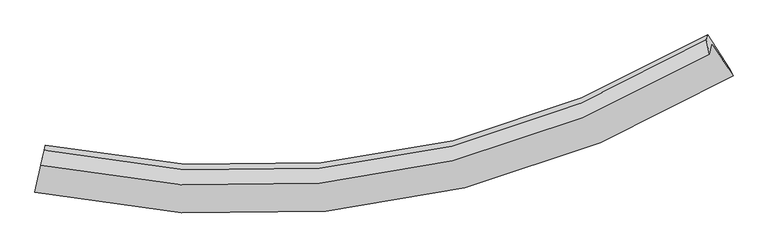
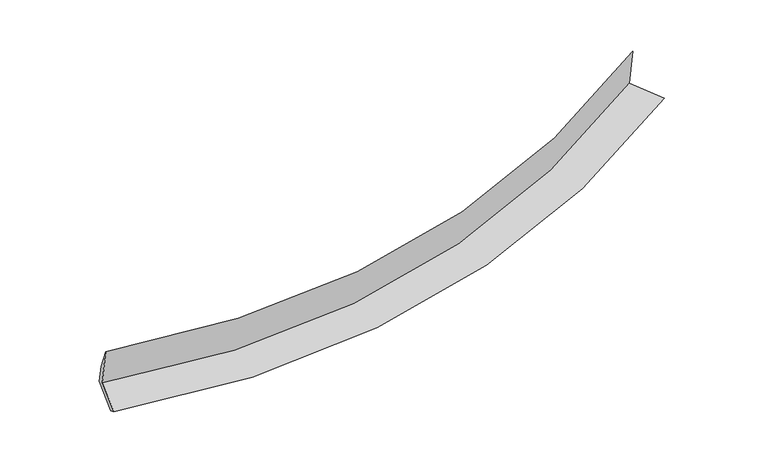
"""IFC4 building model written with IfcOpenShell, lengths in millimetres: proxy geometry."""

from ifc_helpers import new_model, si_unit, frame, origin, place, context, project, spatial, source, transform, mapped, element, save
from ifc_brep_helpers import plane_surface, spline_curve, spline_surface, advanced_brep


def generic_models_0b2beb2a(model_context):
    return source(origin(), model_context, "Body", "AdvancedBrep", [
        advanced_brep(
        [(-5386.1421217, -2003.8708952, 1444.3000769), (-5528.3384769, -2644.2640996, 1284.8062255), (6337.5736105, -671.932814, 2401.5487581), (5977.6993279, -113.8619655, 2501.3652879), (-5427.2713736, -2187.2697348, 2217.3442994), (5936.1456231, -299.1534767, 3282.3873076), (-5371.5707043, -1937.6039638, 1748.5930201), (5885.0532364, -60.5540454, 2805.4950299), (-5351.6640494, -1848.838493, 1374.4377937), (5904.4340386, 25.8666032, 2441.2234605), (-5491.5979801, -2479.0965119, 1193.3865536), (6272.6498848, -540.9976358, 2326.3299023)],
        [
            (0, 1),
            (1, 2, spline_curve(3, [(-5528.3384769, -2644.2640996, 1284.8062255), (-3845.358176906, -3003.345617621, 1295.980583493), (-2199.11520245, -3111.458876632, 1362.940288075), (1800.462604587, -2756.46808345, 1667.958405858), (4109.523659724, -1990.911062335, 1973.246212222), (6337.5736105, -671.932814, 2401.5487581)], [4, 2, 4], [0.0, 15.916684168174982, 39.552527698283704])),
            (2, 3),
            (3, 0, spline_curve(3, [(5977.6993279, -113.8619655, 2501.3652879), (3844.373853017, -1374.396470191, 2078.866934665), (1633.195391052, -2106.635432604, 1783.018498396), (-2197.299579011, -2447.917003266, 1499.879500742), (-3774.068266948, -2345.681017089, 1443.37286585), (-5386.1421217, -2003.8708952, 1444.3000769)], [4, 2, 4], [0.0, 23.635843530108723, 39.552527698283704])),
            (4, 0),
            (3, 5),
            (5, 4, spline_curve(3, [(5936.1456231, -299.1534767, 3282.3873076), (3802.586905933, -1560.728028212, 2864.272854406), (1591.365107654, -2293.160232024, 2569.238951317), (-2238.88459211, -2633.348120831, 2281.489974097), (-3815.468459319, -2530.288002686, 2221.509541361), (-5427.2713736, -2187.2697348, 2217.3442994)], [4, 2, 4], [0.0, 23.124356005943778, 38.69659782884242])),
            (6, 4),
            (5, 7),
            (7, 6, spline_curve(3, [(5885.0532364, -60.5540454, 2805.4950299), (3772.375138458, -1310.823353452, 2393.684710369), (1582.268142659, -2037.388839553, 2102.156768532), (-2212.255887192, -2376.86018274, 1815.592214095), (-3774.356871311, -2275.978003426, 1754.819486504), (-5371.5707043, -1937.6039638, 1748.5930201)], [4, 2, 4], [0.0, 23.016319299621156, 38.515807800603596])),
            (8, 6),
            (7, 9),
            (9, 8, spline_curve(3, [(5904.4340386, 25.8666032, 2441.2234605), (3792.987257173, -1218.912159932, 2006.269950936), (1603.438360988, -1942.989031659, 1704.252256425), (-2191.278307865, -2283.319368685, 1421.308443439), (-3753.762107698, -2184.144195234, 1367.730915504), (-5351.6640494, -1848.838493, 1374.4377937)], [4, 2, 4], [0.0, 22.908371010437488, 38.33516573075403])),
            (10, 8),
            (9, 11),
            (11, 10, spline_curve(3, [(6272.6498848, -540.9976358, 2326.3299023), (4062.385933838, -1838.009038216, 1880.850567346), (1772.583840801, -2590.651351522, 1566.72204173), (-2192.300896911, -2939.178470088, 1260.859439473), (-3823.914758684, -2832.569115885, 1197.340181087), (-5491.5979801, -2479.0965119, 1193.3865536)], [4, 2, 4], [0.0, 23.422354400026794, 39.19527221382886])),
            (1, 10),
            (11, 2),
        ],
        [
            spline_surface(3, 3, [[(-5386.1421217, -2003.8708952, 1444.3000769), (-3774.068267178, -2345.681017302, 1443.372865814), (-2197.299578984, -2447.917003358, 1499.879500536), (1633.195391012, -2106.635432467, 1783.018498703), (3844.373852693, -1374.396469801, 2078.866934322), (5977.6993279, -113.8619655, 2501.3652879)], [(-5433.540906771, -2217.335296674, 1391.135459773), (-3797.8315705, -2564.902550789, 1394.242105004), (-2197.904786888, -2669.097627825, 1454.233096382), (1688.951128946, -2323.246316016, 1744.665134446), (3932.757121628, -1579.901333929, 2043.660026919), (6097.657422083, -299.885581652, 2468.093111305)], [(-5480.939691829, -2430.799698126, 1337.970842627), (-3821.594873808, -2784.124084255, 1345.111344174), (-2198.509994736, -2890.278252351, 1408.586692198), (1744.706866935, -2539.857199624, 1706.311770159), (4021.140390612, -1785.406198101, 2008.4531195), (6217.615516317, -485.909197848, 2434.820934695)], [(-5528.3384769, -2644.2640996, 1284.8062255), (-3845.35817713, -3003.345617742, 1295.980583364), (-2199.11520264, -3111.458876818, 1362.940288045), (1800.462604869, -2756.468083173, 1667.958405902), (4109.523659546, -1990.911062229, 1973.246212097), (6337.5736105, -671.932814, 2401.5487581)]], [4, 4], [4, 2, 4], [0.0, 2.2089802735126534], [0.0, 15.916684168174982, 39.552527698283704]),
            spline_surface(3, 3, [[(-5427.2713736, -2187.2697348, 2217.3442994), (-3815.468459323, -2530.288002543, 2221.509541515), (-2238.88459198, -2633.34812074, 2281.489974138), (1591.365107461, -2293.160232159, 2569.238951256), (3802.586905667, -1560.728027967, 2864.272854707), (5936.1456231, -299.1534767, 3282.3873076)], [(-5413.561622948, -2126.136788245, 1959.662891885), (-3801.668395256, -2468.752340774, 1962.130649599), (-2225.022920956, -2571.537748295, 2020.953149589), (1605.308535337, -2230.985298944, 2307.165467058), (3816.515888014, -1498.617508598, 2602.47088123), (5949.996858038, -237.389639653, 3022.046634352)], [(-5399.851872352, -2065.003841755, 1701.981484415), (-3787.868331245, -2407.216679071, 1702.751757729), (-2211.161250009, -2509.727375803, 1760.416325084), (1619.251963136, -2168.810365682, 2045.091982902), (3830.444870346, -1436.50698917, 2340.668907799), (5963.848092962, -175.625802547, 2761.705961148)], [(-5386.1421217, -2003.8708952, 1444.3000769), (-3774.068267178, -2345.681017302, 1443.372865814), (-2197.299578984, -2447.917003358, 1499.879500536), (1633.195391012, -2106.635432467, 1783.018498703), (3844.373852693, -1374.396469801, 2078.866934322), (5977.6993279, -113.8619655, 2501.3652879)]], [4, 4], [4, 2, 4], [0.0, 2.648901876973807], [0.0, 15.572241822898643, 38.69659782884242]),
            spline_surface(3, 3, [[(-5371.5707043, -1937.6039638, 1748.5930201), (-3774.356871505, -2275.978003305, 1754.819486621), (-2212.255887053, -2376.860182937, 1815.592214287), (1582.268142452, -2037.388839262, 2102.156768246), (3772.375138198, -1310.823353499, 2393.684710481), (5885.0532364, -60.5540454, 2805.4950299)], [(-5390.137594072, -2020.825887472, 1904.843446554), (-3788.060734116, -2360.748003057, 1910.382838273), (-2221.132122029, -2462.356162194, 1970.89146758), (1585.300464121, -2122.645970217, 2257.850829259), (3782.44572734, -1394.124911643, 2550.547425224), (5902.084031953, -140.087189154, 2964.459122468)], [(-5408.704483828, -2104.047811128, 2061.093872946), (-3801.764596712, -2445.518002792, 2065.946189862), (-2230.008357004, -2547.852141483, 2126.190720845), (1588.332785792, -2207.903101204, 2413.544890244), (3792.516316524, -1477.426469824, 2707.410139963), (5919.114827547, -219.620332946, 3123.423215032)], [(-5427.2713736, -2187.2697348, 2217.3442994), (-3815.468459323, -2530.288002543, 2221.509541515), (-2238.88459198, -2633.34812074, 2281.489974138), (1591.365107461, -2293.160232159, 2569.238951256), (3802.586905667, -1560.728027967, 2864.272854707), (5936.1456231, -299.1534767, 3282.3873076)]], [4, 4], [4, 2, 4], [0.0, 1.7464090587241565], [0.0, 15.49948850098244, 38.515807800603596]),
            spline_surface(3, 3, [[(-5351.6640494, -1848.838493, 1374.4377937), (-3753.762107456, -2184.144195165, 1367.730915287), (-2191.278307669, -2283.319368583, 1421.308443346), (1603.438360697, -1942.989031811, 1704.252256563), (3792.987256896, -1218.912159696, 2006.269950777), (5904.4340386, 25.8666032, 2441.2234605)], [(-5358.299601039, -1878.426983267, 1499.156202479), (-3760.627028811, -2214.755464546, 1496.760439044), (-2198.270834135, -2314.499640028, 1552.736367002), (1596.381621277, -1974.455634288, 1836.887093799), (3786.116550668, -1249.549224315, 2135.40820401), (5897.973771205, -2.940279684, 2562.647316965)], [(-5364.935152661, -1908.015473533, 1623.874611321), (-3767.491950149, -2245.366733924, 1625.789962864), (-2205.263360587, -2345.679911492, 1684.164290632), (1589.324881873, -2005.922236784, 1969.52193101), (3779.245844426, -1280.186288881, 2264.546457248), (5891.513503795, -31.747162516, 2684.071173435)], [(-5371.5707043, -1937.6039638, 1748.5930201), (-3774.356871505, -2275.978003305, 1754.819486621), (-2212.255887053, -2376.860182937, 1815.592214287), (1582.268142452, -2037.388839262, 2102.156768246), (3772.375138198, -1310.823353499, 2393.684710481), (5885.0532364, -60.5540454, 2805.4950299)]], [4, 4], [4, 2, 4], [0.0, 1.3363486213397102], [0.0, 15.42679472031654, 38.33516573075403]),
            spline_surface(3, 3, [[(-5491.5979801, -2479.0965119, 1193.3865536), (-3823.914758891, -2832.569115979, 1197.340181286), (-2192.300896978, -2939.178470316, 1260.859439237), (1772.5838409, -2590.651351184, 1566.72204208), (4062.385933954, -1838.009038092, 1880.850567007), (6272.6498848, -540.9976358, 2326.3299023)], [(-5444.953336531, -2269.010505624, 1253.736966984), (-3800.530541743, -2616.427475731, 1254.137092638), (-2191.960033892, -2720.558769754, 1314.342440603), (1716.202014148, -2374.763911409, 1612.565446904), (3972.586374945, -1631.643411938, 1922.657028267), (6149.91126941, -352.042889444, 2364.627755037)], [(-5398.308692969, -2058.924499276, 1314.087380316), (-3777.146324604, -2400.285835413, 1310.934003936), (-2191.619170755, -2501.939069144, 1367.82544198), (1659.820187449, -2158.876471585, 1658.408851739), (3882.786815905, -1425.277785851, 1964.463489517), (6027.17265399, -163.088143156, 2402.925607763)], [(-5351.6640494, -1848.838493, 1374.4377937), (-3753.762107456, -2184.144195165, 1367.730915287), (-2191.278307669, -2283.319368583, 1421.308443346), (1603.438360697, -1942.989031811, 1704.252256563), (3792.987256896, -1218.912159696, 2006.269950777), (5904.4340386, 25.8666032, 2441.2234605)]], [4, 4], [4, 2, 4], [0.0, 2.2128008815674023], [0.0, 15.772917813802064, 39.19527221382886]),
            spline_surface(3, 3, [[(-5528.3384769, -2644.2640996, 1284.8062255), (-3845.35817713, -3003.345617742, 1295.980583364), (-2199.11520264, -3111.458876818, 1362.940288045), (1800.462604869, -2756.468083173, 1667.958405902), (4109.523659546, -1990.911062229, 1973.246212097), (6337.5736105, -671.932814, 2401.5487581)], [(-5516.091644639, -2589.208237018, 1254.333001524), (-3838.210371056, -2946.420117139, 1263.100449329), (-2196.843767404, -3054.032074655, 1328.913338432), (1791.169683561, -2701.195839181, 1634.212951284), (4093.811084359, -1939.943720862, 1942.447663741), (6315.932368611, -628.287754612, 2376.475806173)], [(-5503.844812361, -2534.152374482, 1223.859777576), (-3831.062564965, -2889.494616582, 1230.220315322), (-2194.572332214, -2996.605272479, 1294.88638885), (1781.876762207, -2645.923595176, 1600.467496698), (4078.098509141, -1888.97637946, 1911.649115364), (6294.291126689, -584.642695188, 2351.402854227)], [(-5491.5979801, -2479.0965119, 1193.3865536), (-3823.914758891, -2832.569115979, 1197.340181286), (-2192.300896978, -2939.178470316, 1260.859439237), (1772.5838409, -2590.651351184, 1566.72204208), (4062.385933954, -1838.009038092, 1880.850567007), (6272.6498848, -540.9976358, 2326.3299023)]], [4, 4], [4, 2, 4], [0.0, 0.6426716198133983], [0.0, 16.1900166460204, 40.231751479229096]),
            plane_surface(frame((6052.2592869, -276.7722224, 2626.3916244), z_axis=(0.8419772817935707, 0.5131649523911098, 0.16654125188955515), x_axis=(-0.051698148254677244, -0.23052644898861482, 0.9716917503939905))),
            plane_surface(frame((-5426.097451, -2183.4906164, 1543.8113282), z_axis=(-0.9761979450765579, 0.21688092870767992, -0.00048455257746785746), x_axis=(0.21062970705801062, 0.9485885404534568, 0.23625178819437018))),
        ],
        [
            (0, [[1, 2, 3, 4]]),
            (1, [[5, -4, 6, 7]]),
            (2, [[8, -7, 9, 10]]),
            (3, [[11, -10, 12, 13]]),
            (4, [[14, -13, 15, 16]]),
            (5, [[17, -16, 18, -2]]),
            (6, [[-12, -9, -6, -3, -18, -15]]),
            (7, [[-1, -5, -8, -11, -14, -17]]),
        ],
    ),
    ])


if __name__ == "__main__":
    model = new_model("IFC4")
    model_context = context("Model", 3, world=origin())
    ifc_project = project(units=[si_unit("LENGTHUNIT", "METRE", prefix="MILLI")], contexts=[model_context])
    site = spatial("IfcSite", under=ifc_project)
    building = spatial("IfcBuilding", under=site)
    placement = place(None, origin())
    generic_models_shape = generic_models_0b2beb2a(model_context)
    element("IfcBuildingElementProxy", 1, Name="Generic Models", at=placement, inside=building, context=model_context, shape_type="MappedRepresentation", body=[
        mapped(generic_models_shape, transform((0.0, 0.0, 0.0), x_axis=(1.0, 0.0, 0.0), y_axis=(0.0, 1.0, 0.0), z_axis=(0.0, 0.0, 1.0))),
    ])
    save(model, "model.ifc")
